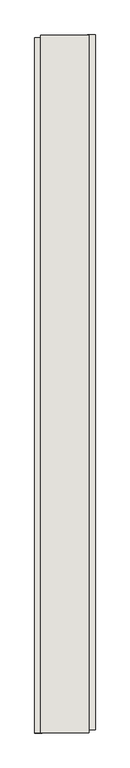
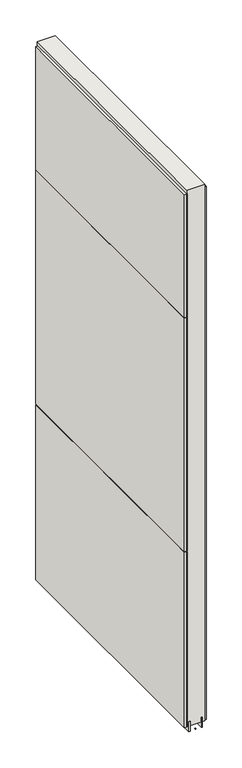
"""IFC4 building model written with IfcOpenShell, lengths in millimetres: wall geometry."""

import ifcopenshell
import ifcopenshell.guid

model = None  # the IFC model being written
_history = None  # IfcOwnerHistory: only IFC2X3 demands one
_inside = {}  # id of a spatial element -> (the spatial element, [elements in it])
_under = {}  # id of a project, library or spatial element -> (it, [spatial elements below it])
_declared = {}  # id of a project -> (the project, [libraries it declares])
_typed = {}  # id of a type object -> (the type object, [elements of that type])
_made_of = {}  # id of a material, layer set ... -> (it, [elements and type objects made of it])


def new_model(schema):
    """Start an empty IFC model of exactly this schema.

    Asked for "IFC4X3", IfcOpenShell would pick the latest addendum, in which some entities
    have other attributes; the version numbers below select the first issue.
    IFC2X3 requires an IfcOwnerHistory on every rooted entity: one is made here for all.
    """
    global model, _history
    if schema == "IFC4X3":
        model = ifcopenshell.file(schema_version=(4, 3, 0, 0))
    else:
        model = ifcopenshell.file(schema=schema)
    _inside.clear()
    _under.clear()
    _declared.clear()
    _typed.clear()
    _made_of.clear()
    _history = None
    if model.schema == "IFC2X3":
        org = make("IfcOrganization", Name="unknown")
        user = make(
            "IfcPersonAndOrganization",
            ThePerson=make("IfcPerson", FamilyName="unknown"),
            TheOrganization=org,
        )
        app = make(
            "IfcApplication",
            ApplicationDeveloper=org,
            Version="unknown",
            ApplicationFullName="unknown",
            ApplicationIdentifier="unknown",
        )
        _history = make(
            "IfcOwnerHistory",
            OwningUser=user,
            OwningApplication=app,
            ChangeAction="ADDED",
            CreationDate=0,
        )
    return model


def make(cls, **values):
    """One entity of the class cls with the attributes given. An attribute that is None is left unset."""
    return model.create_entity(
        cls, **{name: value for name, value in values.items() if value is not None}
    )


def rooted(cls, **values):
    """An entity with a GlobalId (a new one), such as an element, a storey or a relation."""
    return make(cls, GlobalId=ifcopenshell.guid.new(), OwnerHistory=_history, **values)


def si_unit(unit_type, name, prefix=None):
    """IfcSIUnit, for example si_unit("LENGTHUNIT", "METRE", prefix="MILLI")."""
    return make("IfcSIUnit", UnitType=unit_type, Prefix=prefix, Name=name)


def assignment(units):
    """IfcUnitAssignment: the units of a project."""
    return None if units is None else make("IfcUnitAssignment", Units=units)


def point(xyz):
    """IfcCartesianPoint."""
    return None if xyz is None else make("IfcCartesianPoint", Coordinates=xyz)


def direction(xyz):
    """IfcDirection."""
    return None if xyz is None else make("IfcDirection", DirectionRatios=xyz)


def frame(location, z_axis=None, x_axis=None):
    """IfcAxis2Placement3D, a coordinate frame: its origin and axes. An axis left out is left unset."""
    return make(
        "IfcAxis2Placement3D",
        Location=point(location),
        Axis=direction(z_axis),
        RefDirection=direction(x_axis),
    )


def origin():
    """The frame at (0, 0, 0) with its axes left unset."""
    return frame((0.0, 0.0, 0.0))


def place(relative_to, where):
    """IfcLocalPlacement: puts the frame where relative to a parent placement (None: the world)."""
    return make(
        "IfcLocalPlacement", PlacementRelTo=relative_to, RelativePlacement=where
    )


def context(
    kind, dimensions, precision=None, world=None, true_north=None, identifier=None
):
    """IfcGeometricRepresentationContext, for example the 3D "Model" context."""
    return make(
        "IfcGeometricRepresentationContext",
        ContextIdentifier=identifier,
        ContextType=kind,
        CoordinateSpaceDimension=dimensions,
        Precision=precision,
        WorldCoordinateSystem=world,
        TrueNorth=true_north,
    )


def project(units=None, contexts=None):
    """IfcProject with its units and contexts."""
    return rooted(
        "IfcProject",
        Name="project",
        RepresentationContexts=contexts,
        UnitsInContext=assignment(units),
    )


def spatial(cls, under=None, at=None, **own):
    """A site, building, storey or space (cls), placed at a placement, below another one or the project."""
    s = rooted(cls, ObjectPlacement=at, **own)
    if under is not None:
        _under.setdefault(under.id(), (under, []))[1].append(s)
    return s


def polyline(points):
    """IfcPolyline through the points."""
    return make("IfcPolyline", Points=[point(p) for p in points])


def outline(outer, holes=None, kind="AREA"):
    """IfcArbitraryClosedProfileDef: a profile drawn as a closed curve; with holes, ...WithVoids."""
    if holes is None:
        return make("IfcArbitraryClosedProfileDef", ProfileType=kind, OuterCurve=outer)
    return make(
        "IfcArbitraryProfileDefWithVoids",
        ProfileType=kind,
        OuterCurve=outer,
        InnerCurves=holes,
    )


def extrude(swept, where, along, depth):
    """IfcExtrudedAreaSolid: the profile swept, set in the frame where, extruded along a direction by depth."""
    return make(
        "IfcExtrudedAreaSolid",
        SweptArea=swept,
        Position=where,
        ExtrudedDirection=direction(along),
        Depth=depth,
    )


def shape(context_of_items, identifier, shape_type, items):
    """IfcShapeRepresentation: the items that make up one representation, for example the "Body"."""
    return make(
        "IfcShapeRepresentation",
        ContextOfItems=context_of_items,
        RepresentationIdentifier=identifier,
        RepresentationType=shape_type,
        Items=items,
    )


def source(mapping_origin, context_of_items, identifier, shape_type, items):
    """IfcRepresentationMap: a shape defined once, which mapped items show again and again."""
    return make(
        "IfcRepresentationMap",
        MappingOrigin=mapping_origin,
        MappedRepresentation=shape(context_of_items, identifier, shape_type, items),
    )


def transform(
    local_origin,
    x_axis=None,
    y_axis=None,
    z_axis=None,
    scale=None,
    scale2=None,
    scale3=None,
    uniform=True,
):
    """IfcCartesianTransformationOperator3D, or its non-uniform kind. x_axis, y_axis, z_axis: its Axis1, 2, 3."""
    if uniform:
        return make(
            "IfcCartesianTransformationOperator3D",
            Axis1=direction(x_axis),
            Axis2=direction(y_axis),
            LocalOrigin=point(local_origin),
            Scale=scale,
            Axis3=direction(z_axis),
        )
    return make(
        "IfcCartesianTransformationOperator3DnonUniform",
        Axis1=direction(x_axis),
        Axis2=direction(y_axis),
        LocalOrigin=point(local_origin),
        Scale=scale,
        Axis3=direction(z_axis),
        Scale2=scale2,
        Scale3=scale3,
    )


def mapped(mapping_source, mapping_target):
    """IfcMappedItem: shows the shape of a source again, moved by a transform."""
    return make(
        "IfcMappedItem", MappingSource=mapping_source, MappingTarget=mapping_target
    )


def made_of(thing, what):
    """Note that an element or type object is made of a material, layer set ...; save() writes the relation."""
    if what is not None:
        _made_of.setdefault(what.id(), (what, []))[1].append(thing)
    return thing


def element(
    cls,
    number,
    at=None,
    inside=None,
    cuts=None,
    type_object=None,
    material=None,
    context=None,
    identifier="Body",
    shape_type=None,
    held_by="IfcProductDefinitionShape",
    body=None,
    shapes=None,
    **own,
):
    """One element of the class cls, such as IfcWall. Its Tag is "e" and its number.

    at: its placement. inside: the storey or other place that contains it. cuts: it is an
    opening in that element (IfcRelVoidsElement). A single representation is given by context,
    identifier, shape_type and body (its items); several are given by shapes. held_by: the class
    of the entity that holds the representations. save() writes the other relations.
    """
    e = rooted(cls, Tag="e%d" % number, ObjectPlacement=at, **own)
    if body is not None:
        shapes = [shape(context, identifier, shape_type, body)]
    if shapes is not None:
        e.Representation = make(held_by, Representations=shapes)
    if inside is not None:
        _inside.setdefault(inside.id(), (inside, []))[1].append(e)
    if cuts is not None:
        rooted(
            "IfcRelVoidsElement", RelatingBuildingElement=cuts, RelatedOpeningElement=e
        )
    if type_object is not None:
        _typed.setdefault(type_object.id(), (type_object, []))[1].append(e)
    return made_of(e, material)


def aggregate(whole, parts):
    """IfcRelAggregates: a whole, such as a stair, and the parts it consists of."""
    return rooted("IfcRelAggregates", RelatingObject=whole, RelatedObjects=parts)


def save(model, path):
    """Write the relations noted so far, then the file.

    IfcRelAggregates (storeys below a building ...), IfcRelContainedInSpatialStructure (elements
    in a storey), IfcRelDefinesByType, IfcRelAssociatesMaterial and IfcRelDeclares: one each for
    every whole, place, type object, material and project.
    """
    for whole, parts in _under.values():
        aggregate(whole, parts)
    for where, things in _inside.values():
        rooted(
            "IfcRelContainedInSpatialStructure",
            RelatedElements=things,
            RelatingStructure=where,
        )
    for kind, things in _typed.values():
        rooted("IfcRelDefinesByType", RelatedObjects=things, RelatingType=kind)
    for what, things in _made_of.values():
        rooted("IfcRelAssociatesMaterial", RelatedObjects=things, RelatingMaterial=what)
    for by, libraries in _declared.values():
        rooted("IfcRelDeclares", RelatingContext=by, RelatedDefinitions=libraries)
    model.write(path)


def wall_195b35df(model_context):
    return source(origin(), model_context, "Body", "SweptSolid", [
        extrude(outline(polyline([(76405.142211, -54558.3553992), (76405.142211, -54555.8153992), (76407.682211, -54555.8153992), (76407.682211, -54558.3553992), (76405.142211, -54558.3553992)])), frame((0.0, 0.0, 4419.6), z_axis=(0.0, 0.0, 1.0), x_axis=(1.0, 0.0, 0.0)), (0.0, 0.0, 1.0), 2.54),
        extrude(outline(polyline([(76457.212211, -53389.4885726), (76457.212211, -54553.8885806), (76444.512211, -54553.8885806), (76444.512211, -53389.4885726), (76457.212211, -53389.4885726)])), frame((0.0, 0.0, 4445.0), z_axis=(0.0, 0.0, 1.0), x_axis=(1.0, 0.0, 0.0)), (0.0, 0.0, 1.0), 2545.0498756),
        extrude(outline(polyline([(76355.612211, -54558.824715), (76355.612211, -53394.424707), (76368.312211, -53394.424707), (76368.312211, -54558.824715), (76355.612211, -54558.824715)])), frame((0.0, 0.0, 6402.8000722), z_axis=(0.0, 0.0, 1.0), x_axis=(1.0, 0.0, 0.0)), (0.0, 0.0, 1.0), 587.2498034),
        extrude(outline(polyline([(76355.612211, -54558.824715), (76355.612211, -53394.424707), (76368.312211, -53394.424707), (76368.312211, -54558.824715), (76355.612211, -54558.824715)])), frame((0.0, 0.0, 5285.2000722), z_axis=(0.0, 0.0, 1.0), x_axis=(1.0, 0.0, 0.0)), (0.0, 0.0, 1.0), 1113.5999572),
        extrude(outline(polyline([(76355.612211, -54558.824715), (76355.612211, -53394.424707), (76368.312211, -53394.424707), (76368.312211, -54558.824715), (76355.612211, -54558.824715)])), frame((0.0, 0.0, 4445.0), z_axis=(0.0, 0.0, 1.0), x_axis=(1.0, 0.0, 0.0)), (0.0, 0.0, 1.0), 836.200004),
        extrude(outline(polyline([(76431.4959556, -54558.3628414), (76431.4959556, -53389.9628414), (76436.574711, -53389.9628414), (76436.574711, -54558.3628414), (76431.4959556, -54558.3628414)])), frame((0.0, 0.0, 4418.6602), z_axis=(0.0, 0.0, 1.0), x_axis=(1.0, 0.0, 0.0)), (0.0, 0.0, 1.0), 47.625),
        extrude(outline(polyline([(76431.4959556, -54558.3628414), (76431.4959556, -53389.9628414), (76436.574711, -53389.9628414), (76436.574711, -54558.3628414), (76431.4959556, -54558.3628414)])), frame((0.0, 0.0, 4418.6602), z_axis=(0.0, 0.0, 1.0), x_axis=(1.0, 0.0, 0.0)), (0.0, 0.0, 1.0), 47.625),
        extrude(outline(polyline([(76381.3284664, -53389.9628414), (76381.3284664, -54558.3628414), (76376.249711, -54558.3628414), (76376.249711, -53389.9628414), (76381.3284664, -53389.9628414)])), frame((0.0, 0.0, 4418.6602), z_axis=(0.0, 0.0, 1.0), x_axis=(1.0, 0.0, 0.0)), (0.0, 0.0, 1.0), 47.625),
        extrude(outline(polyline([(76381.3284664, -53389.9628414), (76381.3284664, -54558.3628414), (76376.249711, -54558.3628414), (76376.249711, -53389.9628414), (76381.3284664, -53389.9628414)])), frame((0.0, 0.0, 4418.6602), z_axis=(0.0, 0.0, 1.0), x_axis=(1.0, 0.0, 0.0)), (0.0, 0.0, 1.0), 47.625),
        extrude(outline(polyline([(76447.0670954, -54558.3628414), (76365.7573266, -54558.3628414), (76365.7573266, -53389.9628414), (76447.0670954, -53389.9628414), (76447.0670954, -54558.3628414)])), frame((0.0, 0.0, 4445.0), z_axis=(0.0, 0.0, 1.0), x_axis=(1.0, 0.0, 0.0)), (0.0, 0.0, 1.0), 2562.4536762),
    ])


if __name__ == "__main__":
    model = new_model("IFC4")
    model_context = context("Model", 3, world=origin())
    ifc_project = project(units=[si_unit("LENGTHUNIT", "METRE", prefix="MILLI")], contexts=[model_context])
    site = spatial("IfcSite", under=ifc_project)
    building = spatial("IfcBuilding", under=site)
    placement = place(None, origin())
    wall_shape = wall_195b35df(model_context)
    element("IfcWall", 1, at=placement, inside=building, context=model_context, shape_type="MappedRepresentation", body=[
        mapped(wall_shape, transform((0.0, 0.0, 0.0), x_axis=(1.0, 0.0, 0.0), y_axis=(0.0, 1.0, 0.0), z_axis=(0.0, 0.0, 1.0))),
    ])
    save(model, "model.ifc")
